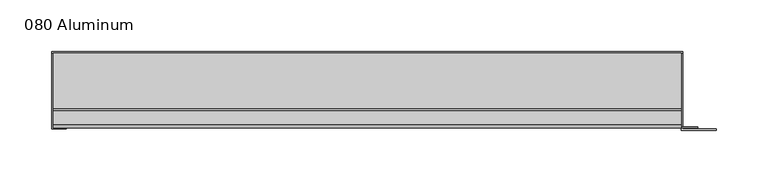
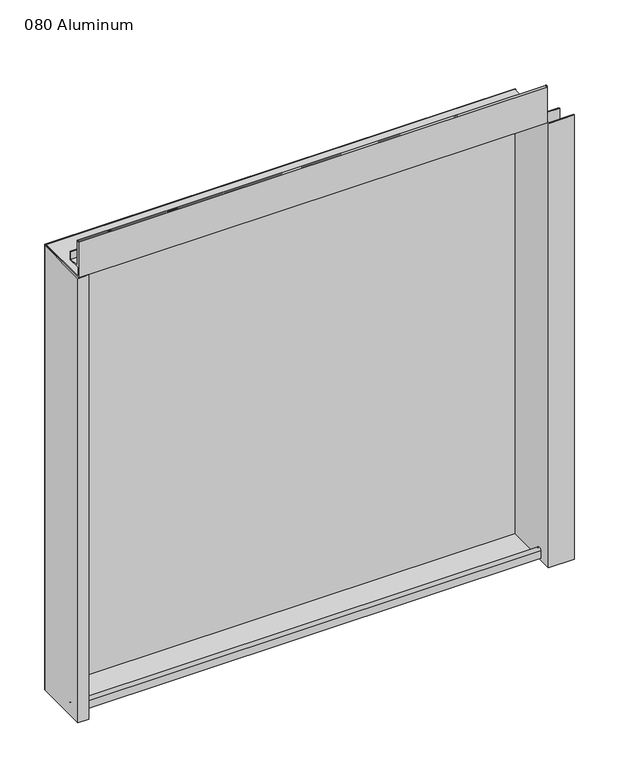
"""IFC4 building model written with IfcOpenShell, lengths in millimetres: plate geometry, 080 Aluminum."""

from ifc_helpers import new_model, si_unit, point, frame, frame_2d, origin, origin_with_axes, place, context, project, spatial, polyline, circle_curve, trimmed, segment, composite_curve, outline, extrude, source, transform, mapped, element, save


def plate_080_aluminum_89ea45bc(model_context):
    return source(origin(), model_context, "Body", "SweptSolid", [
        extrude(outline(polyline([(-309.88, 2.5660257), (-296.9894994, 2.5660257), (-296.9894994, 1.2699999), (-311.1499999, 1.2699999), (-311.1499999, 74.9300001), (-309.88, 74.9300001), (-309.88, 2.5660257)])), origin_with_axes(), (0.0, 0.0, 1.0), 608.33),
        extrude(outline(composite_curve([segment(trimmed(circle_curve(frame_2d((19.8514743, 13.124237)), 3.175), [point((16.6765477, 13.1458337))], [point((23.0264743, 13.124237))], False, "CARTESIAN"), True, "CONTINUOUS"), segment(polyline([(23.0264743, 13.124237), (23.0264743, 1.2693678), (74.9300002, 1.2693678), (74.9300002, 0.0), (21.7564743, 0.0), (21.7564743, 13.124237)]), True, "CONTINUOUS"), segment(trimmed(circle_curve(frame_2d((19.8514743, 13.124237)), 1.905), [point((21.7564743, 13.124237))], [point((17.9464915, 13.1323356))], True, "CARTESIAN"), True, "CONTINUOUS"), segment(polyline([(17.9464915, 13.1323356), (17.9464915, 2.786437), (16.6765477, 2.786437), (16.6765477, 13.1458337)]), True, "CONTINUOUS")], self_intersect=False)), frame((-309.88, 0.0, 0.0), z_axis=(1.0, 0.0, 0.0), x_axis=(0.0, 1.0, 0.0)), (0.0, 0.0, 1.0), 607.06),
        extrude(outline(composite_curve([segment(trimmed(circle_curve(frame_2d((3.7084742, 656.7932001)), 1.6509999), [point((2.0574743, 656.7932001))], [point((5.3594742, 656.7932001))], False, "CARTESIAN"), True, "CONTINUOUS"), segment(polyline([(5.3594742, 656.7932001), (5.3594742, 623.57), (19.2164743, 623.57), (19.2164743, 633.6538), (20.4864742, 633.6538), (20.4864742, 622.3), (4.0894742, 622.3), (4.0894742, 656.7932001)]), True, "CONTINUOUS"), segment(trimmed(circle_curve(frame_2d((3.7084742, 656.7932001)), 0.3809999), [point((4.0894742, 656.7932001))], [point((3.3274743, 656.7932001))], True, "CARTESIAN"), True, "CONTINUOUS"), segment(polyline([(3.3274743, 656.7932001), (3.3274743, 609.6000001), (74.9300002, 609.6000001), (74.9300002, 608.33), (2.0574743, 608.33), (2.0574743, 656.7932001)]), True, "CONTINUOUS")], self_intersect=False)), frame((-309.88, 0.0, 0.0), z_axis=(1.0, 0.0, 0.0), x_axis=(0.0, 1.0, 0.0)), (0.0, 0.0, 1.0), 607.06),
        extrude(outline(polyline([(-311.15, 76.2), (298.45, 76.2), (298.45, 74.9300001), (-311.15, 74.9300001), (-311.15, 76.2)])), origin_with_axes(), (0.0, 0.0, 1.0), 609.6),
        extrude(outline(polyline([(298.45, 1.2699999), (330.9620856, 1.2699999), (330.9620856, 0.0), (297.1800001, 0.0), (297.1800001, 74.9300002), (298.45, 74.9300002), (298.45, 1.2699999)])), origin_with_axes(), (0.0, 0.0, 1.0), 608.33),
        extrude(outline(polyline([(297.18, 3.3274743), (312.9279999, 3.3274743), (312.9279999, 2.0574743), (297.18, 2.0574743), (297.18, 3.3274743)])), origin_with_axes(), (0.0, 0.0, 1.0), 622.3),
    ])


if __name__ == "__main__":
    model = new_model("IFC4")
    model_context = context("Model", 3, world=origin())
    ifc_project = project(units=[si_unit("LENGTHUNIT", "METRE", prefix="MILLI")], contexts=[model_context])
    site = spatial("IfcSite", under=ifc_project)
    building = spatial("IfcBuilding", under=site)
    placement = place(None, origin())
    plate_080_aluminum_shape = plate_080_aluminum_89ea45bc(model_context)
    element("IfcPlate", 1, ObjectType="080 Aluminum", at=placement, inside=building, context=model_context, shape_type="MappedRepresentation", body=[
        mapped(plate_080_aluminum_shape, transform((0.0, 0.0, 0.0), x_axis=(1.0, 0.0, 0.0), y_axis=(0.0, 1.0, 0.0), z_axis=(0.0, 0.0, 1.0))),
    ])
    save(model, "model.ifc")
